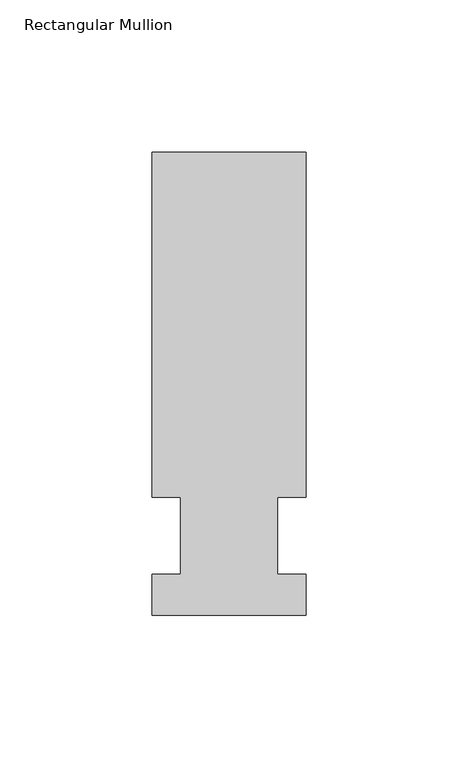
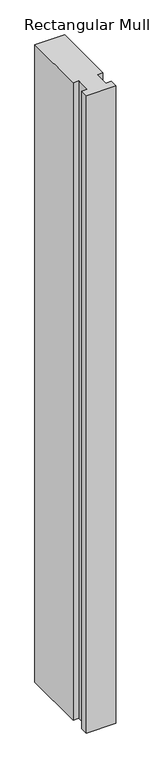
"""IFC4 building model written with IfcOpenShell, lengths in millimetres: member geometry, Rectangular Mullion."""

from ifc_helpers import new_model, si_unit, frame, origin, place, context, project, spatial, polyline, outline, extrude, source, transform, mapped, element, save


def rectangular_mullion_fb3a0454(model_context):
    return source(origin(), model_context, "Body", "SweptSolid", [
        extrude(outline(polyline([(-25.4, -26.19375), (-25.4, -12.7), (-15.875, -12.7), (-15.875, 12.7), (-25.4, 12.7), (-25.4, 126.20625), (25.4, 126.20625), (25.4, 12.7), (15.875, 12.7), (15.875, -12.7), (25.4, -12.7), (25.4, -26.19375), (-25.4, -26.19375)])), frame((0.0, 0.0, -1155.7), z_axis=(0.0, 0.0, 1.0), x_axis=(1.0, 0.0, 0.0)), (0.0, 0.0, 1.0), 1155.7),
    ])


if __name__ == "__main__":
    model = new_model("IFC4")
    model_context = context("Model", 3, world=origin())
    ifc_project = project(units=[si_unit("LENGTHUNIT", "METRE", prefix="MILLI")], contexts=[model_context])
    site = spatial("IfcSite", under=ifc_project)
    building = spatial("IfcBuilding", under=site)
    placement = place(None, origin())
    rectangular_mullion_shape = rectangular_mullion_fb3a0454(model_context)
    element("IfcMember", 1, ObjectType="Rectangular Mullion", at=placement, inside=building, context=model_context, shape_type="MappedRepresentation", body=[
        mapped(rectangular_mullion_shape, transform((0.0, 0.0, 0.0), x_axis=(1.0, 0.0, 0.0), y_axis=(0.0, 1.0, 0.0), z_axis=(0.0, 0.0, 1.0))),
    ])
    save(model, "model.ifc")
